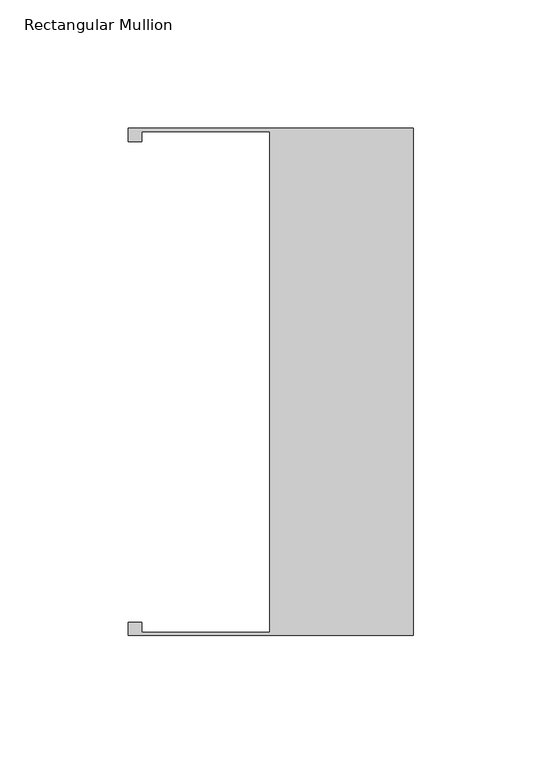
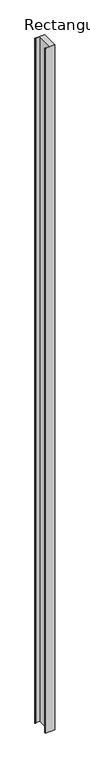
"""IFC4 building model written with IfcOpenShell, lengths in millimetres: member geometry, Rectangular Mullion."""

from ifc_helpers import new_model, si_unit, frame, origin, place, context, project, spatial, polyline, outline, extrude, source, transform, mapped, element, save


def rectangular_mullion_b2d82f99(model_context):
    return source(origin(), model_context, "Body", "SweptSolid", [
        extrude(outline(polyline([(0.0, 98.7226563), (0.0, -98.7226563), (-110.744, -98.7226563), (-110.744, -93.6503096), (-105.664, -93.6503096), (-105.664, -97.4523096), (-55.739, -97.4523096), (-55.739, 97.4526562), (-105.664, 97.4526562), (-105.664, 93.6501671), (-110.744, 93.6501671), (-110.744, 98.7226563), (0.0, 98.7226563)])), frame((0.0, 0.0, -8128.0), z_axis=(0.0, 0.0, 1.0), x_axis=(1.0, 0.0, 0.0)), (0.0, 0.0, 1.0), 8128.0),
    ])


if __name__ == "__main__":
    model = new_model("IFC4")
    model_context = context("Model", 3, world=origin())
    ifc_project = project(units=[si_unit("LENGTHUNIT", "METRE", prefix="MILLI")], contexts=[model_context])
    site = spatial("IfcSite", under=ifc_project)
    building = spatial("IfcBuilding", under=site)
    placement = place(None, origin())
    rectangular_mullion_shape = rectangular_mullion_b2d82f99(model_context)
    element("IfcMember", 1, ObjectType="Rectangular Mullion", at=placement, inside=building, context=model_context, shape_type="MappedRepresentation", body=[
        mapped(rectangular_mullion_shape, transform((0.0, 0.0, 0.0), x_axis=(1.0, 0.0, 0.0), y_axis=(0.0, 1.0, 0.0), z_axis=(0.0, 0.0, 1.0))),
    ])
    save(model, "model.ifc")
